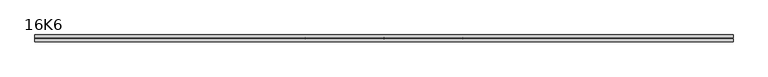
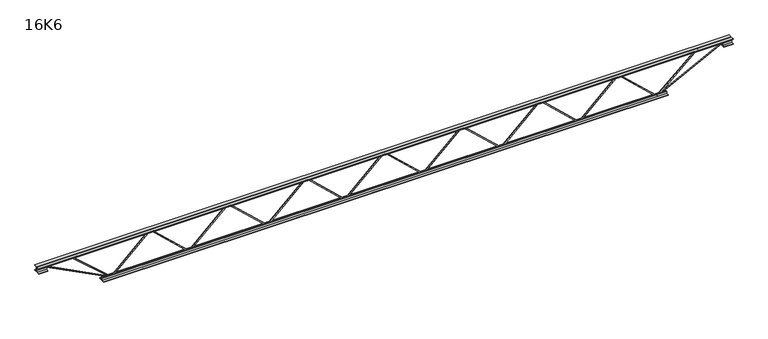
"""IFC4 building model written with IfcOpenShell, lengths in millimetres: beam geometry, 16K6."""

from ifc_helpers import new_model, si_unit, frame, origin, place, context, project, spatial, polyline, outline, extrude, source, transform, mapped, element, save


def beam_16k6_7dc95f07(model_context):
    return source(origin(), model_context, "Body", "SweptSolid", [
        extrude(outline(polyline([(-191.9, 1280.5714286), (-201.4, 1280.5714286), (-201.4, 1285.6215844), (191.9, 1706.1287273), (191.9, 1708.7284156), (-201.4, 2129.2355584), (-201.4, 2134.2857143), (-191.9, 2134.2857143), (-191.9, 2132.9858701), (201.4, 1712.4787273), (201.4, 1702.3784156), (-191.9, 1281.8712727), (-191.9, 1280.5714286)])), frame((0.0, -4.75, 0.0), z_axis=(0.0, 1.0, 0.0), x_axis=(0.0, 0.0, 1.0)), (0.0, 0.0, 1.0), 9.5),
        extrude(outline(polyline([(-191.9, 426.8571429), (-201.4, 426.8571429), (-201.4, 431.9072987), (191.9, 852.4144416), (191.9, 855.0141299), (-201.4, 1275.5212727), (-201.4, 1280.5714286), (-191.9, 1280.5714286), (-191.9, 1279.2715844), (201.4, 858.7644416), (201.4, 848.6641299), (-191.9, 428.156987), (-191.9, 426.8571429)])), frame((0.0, -4.75, 0.0), z_axis=(0.0, 1.0, 0.0), x_axis=(0.0, 0.0, 1.0)), (0.0, 0.0, 1.0), 9.5),
        extrude(outline(polyline([(-191.9, -426.8571429), (-201.4, -426.8571429), (-201.4, -421.806987), (191.9, -1.2998442), (191.9, 1.2998442), (-201.4, 421.806987), (-201.4, 426.8571429), (-191.9, 426.8571429), (-191.9, 425.5572987), (201.4, 5.0501558), (201.4, -5.0501558), (-191.9, -425.5572987), (-191.9, -426.8571429)])), frame((0.0, -4.75, 0.0), z_axis=(0.0, 1.0, 0.0), x_axis=(0.0, 0.0, 1.0)), (0.0, 0.0, 1.0), 9.5),
        extrude(outline(polyline([(-191.9, -1280.5714286), (-201.4, -1280.5714286), (-201.4, -1275.5212727), (191.9, -855.0141299), (191.9, -852.4144416), (-201.4, -431.9072987), (-201.4, -426.8571429), (-191.9, -426.8571429), (-191.9, -428.156987), (201.4, -848.6641299), (201.4, -858.7644416), (-191.9, -1279.2715844), (-191.9, -1280.5714286)])), frame((0.0, -4.75, 0.0), z_axis=(0.0, 1.0, 0.0), x_axis=(0.0, 0.0, 1.0)), (0.0, 0.0, 1.0), 9.5),
        extrude(outline(polyline([(-191.9, -2134.2857143), (-201.4, -2134.2857143), (-201.4, -2129.2355584), (191.9, -1708.7284156), (191.9, -1706.1287273), (-201.4, -1285.6215844), (-201.4, -1280.5714286), (-191.9, -1280.5714286), (-191.9, -1281.8712727), (201.4, -1702.3784156), (201.4, -1712.4787273), (-191.9, -2132.9858701), (-191.9, -2134.2857143)])), frame((0.0, -4.75, 0.0), z_axis=(0.0, 1.0, 0.0), x_axis=(0.0, 0.0, 1.0)), (0.0, 0.0, 1.0), 9.5),
        extrude(outline(polyline([(-191.9, 2134.2857143), (-201.4, 2134.2857143), (-201.4, 2139.3358701), (191.9, 2559.843013), (191.9, 2562.4427013), (-201.4, 2982.9498442), (-201.4, 2988.0), (-191.9, 2988.0), (-191.9, 2986.7001558), (201.4, 2566.193013), (201.4, 2556.0927013), (-191.9, 2135.5855584), (-191.9, 2134.2857143)])), frame((0.0, -4.75, 0.0), z_axis=(0.0, 1.0, 0.0), x_axis=(0.0, 0.0, 1.0)), (0.0, 0.0, 1.0), 9.5),
        extrude(outline(polyline([(-191.9, -2988.0), (-201.4, -2988.0), (-201.4, -2982.9498442), (191.9, -2562.4427013), (191.9, -2559.843013), (-201.4, -2139.3358701), (-201.4, -2134.2857143), (-191.9, -2134.2857143), (-191.9, -2135.5855584), (201.4, -2556.0927013), (201.4, -2566.193013), (-191.9, -2986.7001558), (-191.9, -2988.0)])), frame((0.0, -4.75, 0.0), z_axis=(0.0, 1.0, 0.0), x_axis=(0.0, 0.0, 1.0)), (0.0, 0.0, 1.0), 9.5),
        extrude(outline(polyline([(4.75, 203.0), (36.75, 203.0), (36.75, 196.5), (11.25, 196.5), (11.25, 171.0), (4.75, 171.0), (4.75, 203.0)])), frame((-3800.0, 0.0, 0.0), z_axis=(1.0, 0.0, 0.0), x_axis=(0.0, 1.0, 0.0)), (0.0, 0.0, 1.0), 7600.0),
        extrude(outline(polyline([(-4.75, 203.0), (-4.75, 171.0), (-11.25, 171.0), (-11.25, 196.5), (-36.75, 196.5), (-36.75, 203.0), (-4.75, 203.0)])), frame((-3800.0, 0.0, 0.0), z_axis=(1.0, 0.0, 0.0), x_axis=(0.0, 1.0, 0.0)), (0.0, 0.0, 1.0), 7600.0),
        extrude(outline(polyline([(-4.75, 139.5), (-36.75, 139.5), (-36.75, 146.0), (-11.25, 146.0), (-11.25, 171.0), (-4.75, 171.0), (-4.75, 139.5)])), frame((-3800.0, 0.0, 0.0), z_axis=(1.0, 0.0, 0.0), x_axis=(0.0, 1.0, 0.0)), (0.0, 0.0, 1.0), 100.0),
        extrude(outline(polyline([(36.75, 139.5), (4.75, 139.5), (4.75, 171.0), (11.25, 171.0), (11.25, 146.0), (36.75, 146.0), (36.75, 139.5)])), frame((-3800.0, 0.0, 0.0), z_axis=(1.0, 0.0, 0.0), x_axis=(0.0, 1.0, 0.0)), (0.0, 0.0, 1.0), 100.0),
        extrude(outline(polyline([(4.75, 139.5), (4.75, 171.0), (11.25, 171.0), (11.25, 146.0), (36.75, 146.0), (36.75, 139.5), (4.75, 139.5)])), frame((3700.0, 0.0, 0.0), z_axis=(1.0, 0.0, 0.0), x_axis=(0.0, 1.0, 0.0)), (0.0, 0.0, 1.0), 100.0),
        extrude(outline(polyline([(-4.75, 139.5), (-36.75, 139.5), (-36.75, 146.0), (-11.25, 146.0), (-11.25, 171.0), (-4.75, 171.0), (-4.75, 139.5)])), frame((3700.0, 0.0, 0.0), z_axis=(1.0, 0.0, 0.0), x_axis=(0.0, 1.0, 0.0)), (0.0, 0.0, 1.0), 100.0),
        extrude(outline(polyline([(4.75, -203.0), (4.75, -171.0), (11.25, -171.0), (11.25, -196.5), (36.75, -196.5), (36.75, -203.0), (4.75, -203.0)])), frame((-3088.0, 0.0, 0.0), z_axis=(1.0, 0.0, 0.0), x_axis=(0.0, 1.0, 0.0)), (0.0, 0.0, 1.0), 6176.0),
        extrude(outline(polyline([(-4.75, -203.0), (-36.75, -203.0), (-36.75, -196.5), (-11.25, -196.5), (-11.25, -171.0), (-4.75, -171.0), (-4.75, -203.0)])), frame((-3088.0, 0.0, 0.0), z_axis=(1.0, 0.0, 0.0), x_axis=(0.0, 1.0, 0.0)), (0.0, 0.0, 1.0), 6176.0),
        extrude(outline(polyline([(-200.8705467, -2990.1793315), (-192.4294533, -2985.8206685), (175.75, -3698.8460208), (175.75, -3800.0), (166.25, -3800.0), (166.25, -3701.1539792), (-200.8705467, -2990.1793315)])), frame((0.0, -4.75, 0.0), z_axis=(0.0, 1.0, 0.0), x_axis=(0.0, 0.0, 1.0)), (0.0, 0.0, 1.0), 9.5),
        extrude(outline(polyline([(188.7, -3434.8142857), (179.2, -3434.8142857), (179.2, -3423.9016777), (-200.2216796, -2991.1313903), (-193.0783204, -2984.8686097), (188.7, -3420.3268937), (188.7, -3434.8142857)])), frame((0.0, -4.75, 0.0), z_axis=(0.0, 1.0, 0.0), x_axis=(0.0, 0.0, 1.0)), (0.0, 0.0, 1.0), 9.5),
        extrude(outline(polyline([(0.0, -9.5), (0.0, 0.0), (801.3179909, 0.0), (801.3179909, -9.5), (0.0, -9.5)])), frame((3702.1793315, -4.75, 166.7794533), z_axis=(-0.4588066213244971, 0.0, 0.8885361468329803), x_axis=(-0.8885361468329803, 0.0, -0.4588066213244971)), (0.0, 0.0, 1.0), 9.5),
        extrude(outline(polyline([(0.0, -9.5), (0.0, 0.0), (591.1798609, 0.0), (591.1798609, -9.5), (0.0, -9.5)])), frame((3432.5315075, -4.75, 193.1036778), z_axis=(-0.6652797667821982, 0.0, 0.7465941547522482), x_axis=(-0.7465941547522482, 0.0, -0.6652797667821982)), (0.0, 0.0, 1.0), 9.5),
    ])


if __name__ == "__main__":
    model = new_model("IFC4")
    model_context = context("Model", 3, world=origin())
    ifc_project = project(units=[si_unit("LENGTHUNIT", "METRE", prefix="MILLI")], contexts=[model_context])
    site = spatial("IfcSite", under=ifc_project)
    building = spatial("IfcBuilding", under=site)
    placement = place(None, origin())
    beam_16k6_shape = beam_16k6_7dc95f07(model_context)
    element("IfcBeam", 1, ObjectType="16K6", at=placement, inside=building, context=model_context, shape_type="MappedRepresentation", body=[
        mapped(beam_16k6_shape, transform((0.0, 0.0, 0.0), x_axis=(1.0, 0.0, 0.0), y_axis=(0.0, 1.0, 0.0), z_axis=(0.0, 0.0, 1.0))),
    ])
    save(model, "model.ifc")
